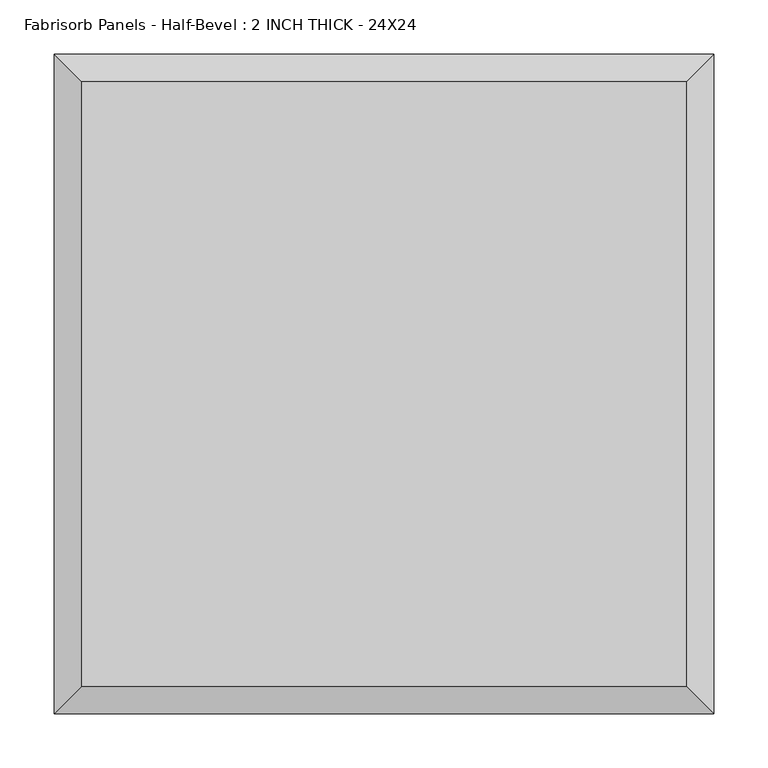
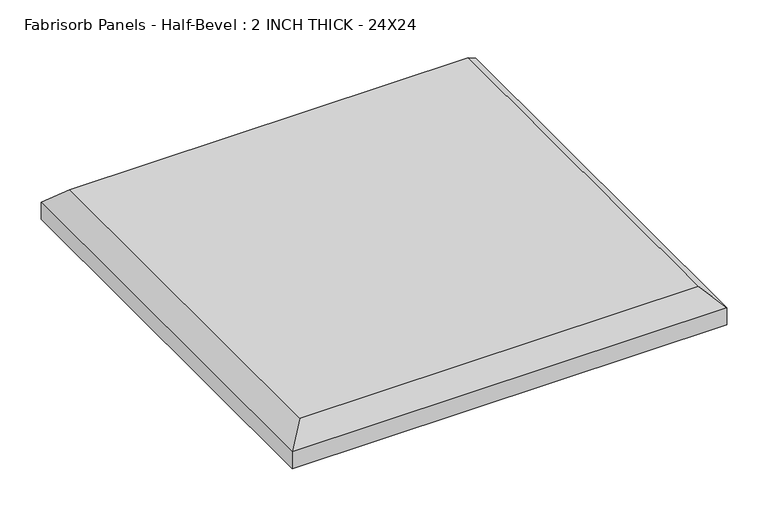
"""IFC4 building model written with IfcOpenShell, lengths in millimetres: proxy geometry, Fabrisorb Panels - Half-Bevel : 2 INCH THICK - 24X24."""

from ifc_helpers import new_model, si_unit, origin, place, context, project, spatial, faceted_brep, source, transform, mapped, element, save


def fabrisorb_panels_half_bevel_2_inch_thick_24x24_bdb9d917(model_context):
    return source(origin(), model_context, "Body", "Brep", [
        faceted_brep([(279.4, 279.4, 50.8), (-279.4, 279.4, 50.8), (-279.4, -279.4, 50.8), (279.4, -279.4, 50.8), (-304.8, 304.8, 0.0), (304.8, 304.8, 0.0), (304.8, -304.8, 0.0), (-304.8, -304.8, 0.0), (-304.8, -304.8, 25.4), (-304.8, 304.8, 25.4), (304.8, -304.8, 25.4), (304.8, 304.8, 25.4)], [[[0, 1, 2, 3]], [[4, 5, 6, 7]], [[4, 7, 8, 9]], [[7, 6, 10, 8]], [[6, 5, 11, 10]], [[5, 4, 9, 11]], [[9, 1, 0, 11]], [[1, 9, 8, 2]], [[2, 8, 10, 3]], [[11, 0, 3, 10]]]),
    ])


if __name__ == "__main__":
    model = new_model("IFC4")
    model_context = context("Model", 3, world=origin())
    ifc_project = project(units=[si_unit("LENGTHUNIT", "METRE", prefix="MILLI")], contexts=[model_context])
    site = spatial("IfcSite", under=ifc_project)
    building = spatial("IfcBuilding", under=site)
    placement = place(None, origin())
    fabrisorb_panels_half_bevel_2_inch_thick_24x24_shape = fabrisorb_panels_half_bevel_2_inch_thick_24x24_bdb9d917(model_context)
    element("IfcBuildingElementProxy", 1, Name="Fabrisorb Panels - Half-Bevel : 2 INCH THICK - 24X24", ObjectType="Fabrisorb Panels - Half-Bevel : 2 INCH THICK - 24X24", at=placement, inside=building, context=model_context, shape_type="MappedRepresentation", body=[
        mapped(fabrisorb_panels_half_bevel_2_inch_thick_24x24_shape, transform((0.0, 0.0, 0.0), x_axis=(1.0, 0.0, 0.0), y_axis=(0.0, 1.0, 0.0), z_axis=(0.0, 0.0, 1.0))),
    ])
    save(model, "model.ifc")
